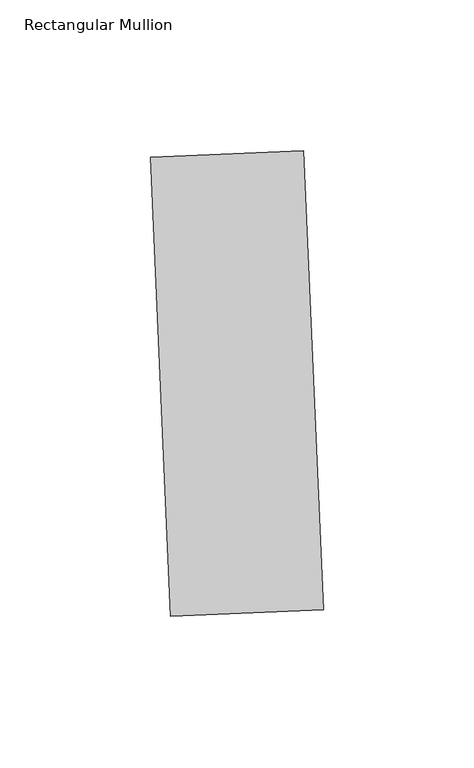
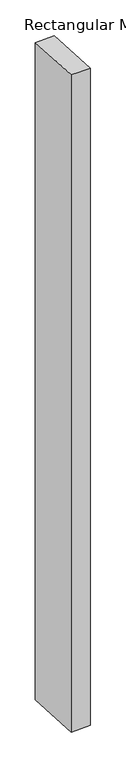
"""IFC4 building model written with IfcOpenShell, lengths in millimetres: member geometry, Rectangular Mullion."""

from ifc_helpers import new_model, si_unit, frame, origin, place, context, project, spatial, polyline, outline, extrude, source, transform, mapped, element, save


def rectangular_mullion_ff91e3e1(model_context):
    return source(origin(), model_context, "Body", "SweptSolid", [
        extrude(outline(polyline([(30.7769955, -113.0742136), (-19.9746542, -115.2900785), (-26.6222488, 36.9648705), (24.1294008, 39.1807354), (30.7769955, -113.0742136)])), frame((0.0, 0.0, -1828.8), z_axis=(0.0, 0.0, 1.0), x_axis=(1.0, 0.0, 0.0)), (0.0, 0.0, 1.0), 1828.8),
    ])


if __name__ == "__main__":
    model = new_model("IFC4")
    model_context = context("Model", 3, world=origin())
    ifc_project = project(units=[si_unit("LENGTHUNIT", "METRE", prefix="MILLI")], contexts=[model_context])
    site = spatial("IfcSite", under=ifc_project)
    building = spatial("IfcBuilding", under=site)
    placement = place(None, origin())
    rectangular_mullion_shape = rectangular_mullion_ff91e3e1(model_context)
    element("IfcMember", 1, ObjectType="Rectangular Mullion", at=placement, inside=building, context=model_context, shape_type="MappedRepresentation", body=[
        mapped(rectangular_mullion_shape, transform((0.0, 0.0, 0.0), x_axis=(1.0, 0.0, 0.0), y_axis=(0.0, 1.0, 0.0), z_axis=(0.0, 0.0, 1.0))),
    ])
    save(model, "model.ifc")
